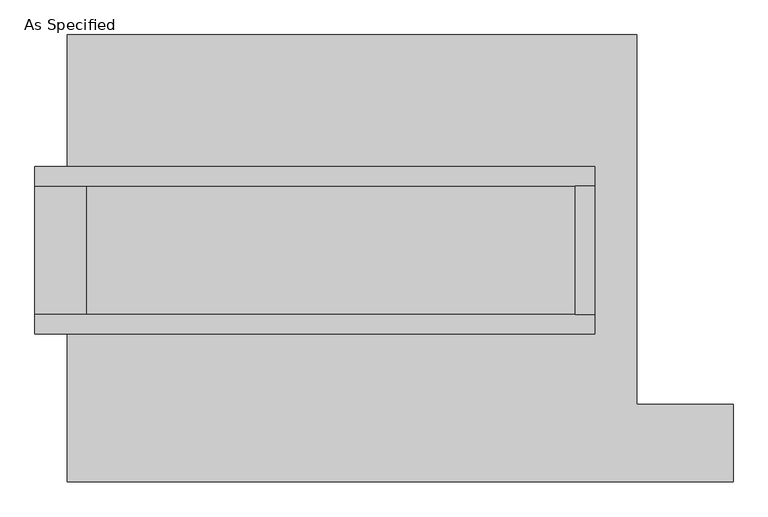
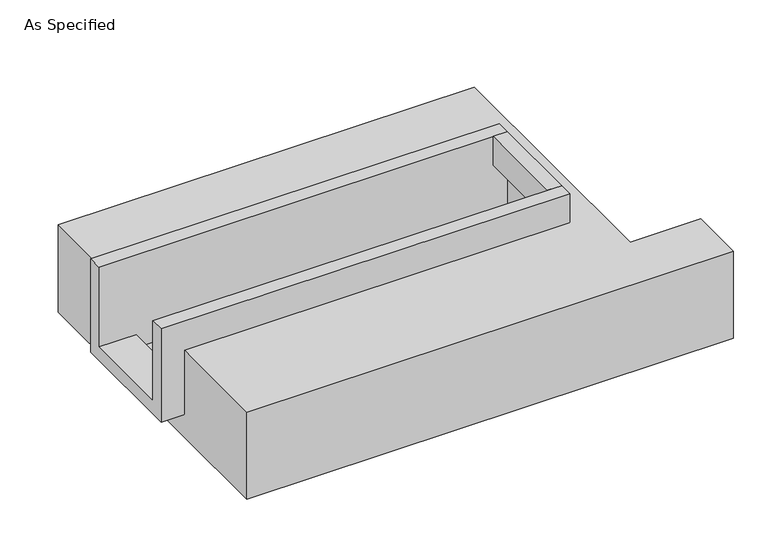
"""IFC4 building model written with IfcOpenShell, lengths in millimetres: proxy geometry, As Specified."""

from ifc_helpers import new_model, si_unit, frame, origin, place, context, project, spatial, polyline, outline, extrude, faceted_brep, source, transform, mapped, element, save


def as_specified_4dafcfc0(model_context):
    return source(origin(), model_context, "Body", "SolidModel", [
        extrude(outline(polyline([(882.65, 285.75), (958.85, 285.75), (958.85, -222.25), (882.65, -222.25), (882.65, 285.75)])), frame((0.0, 0.0, -25.4), z_axis=(0.0, 0.0, 1.0), x_axis=(1.0, 0.0, 0.0)), (0.0, 0.0, 1.0), 165.1),
        faceted_brep([(958.85, 285.75, 139.7), (958.85, 285.75, -317.5), (958.85, -222.25, -317.5), (958.85, -222.25, 139.7), (958.85, -298.45, 139.7), (958.85, -298.45, -393.7), (958.85, 361.95, -393.7), (958.85, 361.95, 139.7), (-1250.95, 285.75, 139.7), (-1250.95, 361.95, 139.7), (-1250.95, 361.95, -393.7), (-1250.95, -298.45, -393.7), (-1250.95, -298.45, 139.7), (-1250.95, -222.25, 139.7), (-1250.95, -222.25, -317.5), (-1250.95, 285.75, -317.5), (-1047.75, 285.75, -393.7), (-1047.75, -222.25, -393.7), (882.65, -222.25, -393.7), (882.65, 285.75, -393.7), (882.65, -222.25, -317.5), (-1047.75, -222.25, -317.5), (882.65, 285.75, -317.5), (-1047.75, 285.75, -317.5)], [[[0, 1, 2, 3, 4, 5, 6, 7]], [[8, 9, 10, 11, 12, 13, 14, 15]], [[0, 7, 9, 8]], [[7, 6, 10, 9]], [[6, 5, 11, 10], [16, 17, 18, 19]], [[4, 3, 13, 12]], [[3, 2, 20, 18, 17, 21, 14, 13]], [[2, 1, 22, 20]], [[15, 14, 21, 23]], [[1, 0, 8, 15, 23, 16, 19, 22]], [[21, 17, 16, 23]], [[18, 20, 22, 19]], [[5, 4, 12, 11]]]),
        faceted_brep([(-1123.95, 882.65, -523.9742188), (1123.95, 882.65, -523.9742188), (1123.95, -577.85, -523.9742188), (1504.95, -577.85, -523.9742188), (1504.95, -882.65, -523.9742188), (-1123.95, -882.65, -523.9742188), (1123.95, 882.65, -25.4), (-1123.95, 882.65, -25.4), (-1123.95, 361.95, -25.4), (958.85, 361.95, -25.4), (958.85, -298.45, -25.4), (-1123.95, -298.45, -25.4), (-1123.95, -882.65, -25.4), (1504.95, -882.65, -25.4), (1504.95, -577.85, -25.4), (1123.95, -577.85, -25.4), (-1123.95, -298.45, -393.7), (-1123.95, 361.95, -393.7), (958.85, 361.95, -393.7), (958.85, -298.45, -393.7)], [[[0, 1, 2, 3, 4, 5]], [[6, 7, 8, 9, 10, 11, 12, 13, 14, 15]], [[1, 0, 7, 6]], [[7, 0, 5, 12, 11, 16, 17, 8]], [[1, 6, 15, 2]], [[5, 4, 13, 12]], [[18, 19, 10, 9]], [[17, 18, 9, 8]], [[19, 18, 17, 16]], [[19, 16, 11, 10]], [[4, 3, 14, 13]], [[3, 2, 15, 14]]]),
    ])


if __name__ == "__main__":
    model = new_model("IFC4")
    model_context = context("Model", 3, world=origin())
    ifc_project = project(units=[si_unit("LENGTHUNIT", "METRE", prefix="MILLI")], contexts=[model_context])
    site = spatial("IfcSite", under=ifc_project)
    building = spatial("IfcBuilding", under=site)
    placement = place(None, origin())
    as_specified_shape = as_specified_4dafcfc0(model_context)
    element("IfcBuildingElementProxy", 1, Name="As Specified", ObjectType="As Specified", at=placement, inside=building, context=model_context, shape_type="MappedRepresentation", body=[
        mapped(as_specified_shape, transform((0.0, 0.0, 0.0), x_axis=(1.0, 0.0, 0.0), y_axis=(0.0, 1.0, 0.0), z_axis=(0.0, 0.0, 1.0))),
    ])
    save(model, "model.ifc")
